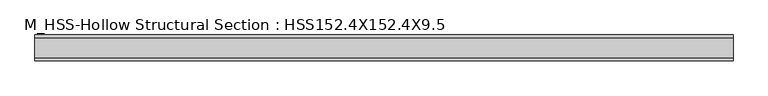
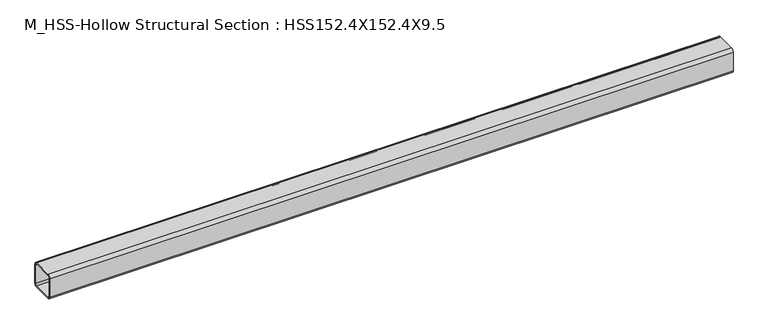
"""IFC4 building model written with IfcOpenShell, lengths in millimetres: member geometry, M_HSS-Hollow Structural Section : HSS152.4X152.4X9.5."""

from ifc_helpers import new_model, si_unit, point, frame, frame_2d, origin, place, context, project, spatial, polyline, circle_curve, trimmed, segment, composite_curve, outline, extrude, source, transform, mapped, element, save


def m_hss_hollow_structural_section_hss152_4x152_4x9_5_113b4dfd(model_context):
    return source(origin(), model_context, "Body", "SweptSolid", [
        extrude(outline(composite_curve([segment(polyline([(76.0, 58.2), (76.0, -58.2)]), True, "CONTINUOUS"), segment(trimmed(circle_curve(frame_2d((58.2, -58.2)), 17.8), [point((76.0, -58.2))], [point((58.2, -76.0))], False, "CARTESIAN"), True, "CONTINUOUS"), segment(polyline([(58.2, -76.0), (-58.2, -76.0)]), True, "CONTINUOUS"), segment(trimmed(circle_curve(frame_2d((-58.2, -58.2)), 17.8), [point((-58.2, -76.0))], [point((-76.0, -58.2))], False, "CARTESIAN"), True, "CONTINUOUS"), segment(polyline([(-76.0, -58.2), (-76.0, 58.2)]), True, "CONTINUOUS"), segment(trimmed(circle_curve(frame_2d((-58.2, 58.2)), 17.8), [point((-76.0, 58.2))], [point((-58.2, 76.0))], False, "CARTESIAN"), True, "CONTINUOUS"), segment(polyline([(-58.2, 76.0), (58.2, 76.0)]), True, "CONTINUOUS"), segment(trimmed(circle_curve(frame_2d((58.2, 58.2)), 17.8), [point((58.2, 76.0))], [point((76.0, 58.2))], False, "CARTESIAN"), True, "CONTINUOUS")], self_intersect=False), holes=[composite_curve([segment(trimmed(circle_curve(frame_2d((-58.2, 58.2)), 8.9), [point((-58.2, 67.1))], [point((-67.1, 58.2))], True, "CARTESIAN"), True, "CONTINUOUS"), segment(polyline([(-67.1, 58.2), (-67.1, -58.2)]), True, "CONTINUOUS"), segment(trimmed(circle_curve(frame_2d((-58.2, -58.2)), 8.9), [point((-67.1, -58.2))], [point((-58.2, -67.1))], True, "CARTESIAN"), True, "CONTINUOUS"), segment(polyline([(-58.2, -67.1), (58.2, -67.1)]), True, "CONTINUOUS"), segment(trimmed(circle_curve(frame_2d((58.2, -58.2)), 8.9), [point((58.2, -67.1))], [point((67.1, -58.2))], True, "CARTESIAN"), True, "CONTINUOUS"), segment(polyline([(67.1, -58.2), (67.1, 58.2)]), True, "CONTINUOUS"), segment(trimmed(circle_curve(frame_2d((58.2, 58.2)), 8.9), [point((67.1, 58.2))], [point((58.2, 67.1))], True, "CARTESIAN"), True, "CONTINUOUS"), segment(polyline([(58.2, 67.1), (-58.2, 67.1)]), True, "CONTINUOUS")], self_intersect=False)]), frame((-1974.5598234, 0.0, 0.0), z_axis=(1.0, 0.0, 0.0), x_axis=(0.0, 1.0, 0.0)), (0.0, 0.0, 1.0), 4071.4461635),
    ])


if __name__ == "__main__":
    model = new_model("IFC4")
    model_context = context("Model", 3, world=origin())
    ifc_project = project(units=[si_unit("LENGTHUNIT", "METRE", prefix="MILLI")], contexts=[model_context])
    site = spatial("IfcSite", under=ifc_project)
    building = spatial("IfcBuilding", under=site)
    placement = place(None, origin())
    m_hss_hollow_structural_section_hss152_4x152_4x9_5_shape = m_hss_hollow_structural_section_hss152_4x152_4x9_5_113b4dfd(model_context)
    element("IfcMember", 1, ObjectType="M_HSS-Hollow Structural Section : HSS152.4X152.4X9.5", at=placement, inside=building, context=model_context, shape_type="MappedRepresentation", body=[
        mapped(m_hss_hollow_structural_section_hss152_4x152_4x9_5_shape, transform((0.0, 0.0, 0.0), x_axis=(1.0, 0.0, 0.0), y_axis=(0.0, 1.0, 0.0), z_axis=(0.0, 0.0, 1.0))),
    ])
    save(model, "model.ifc")
